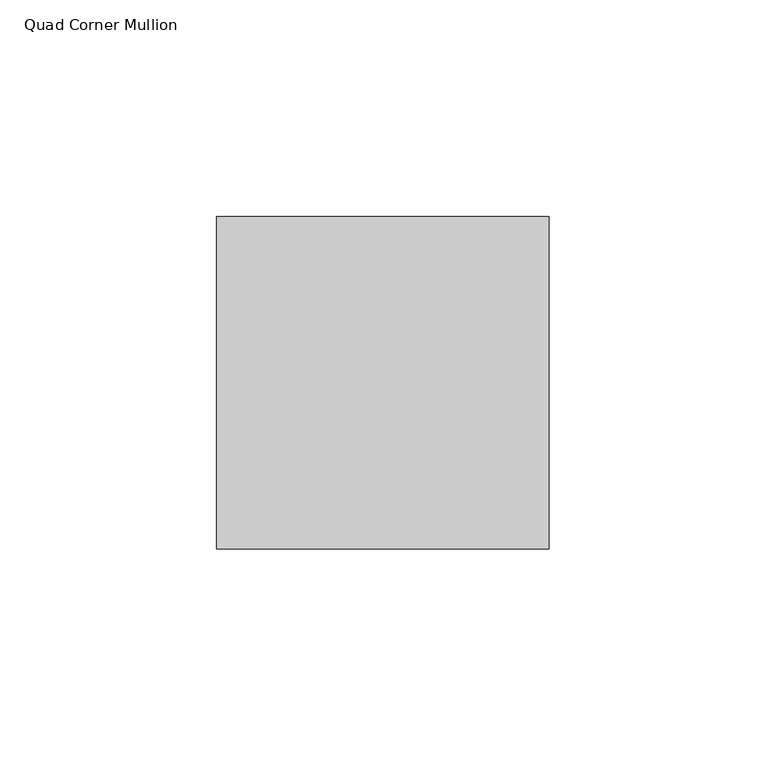
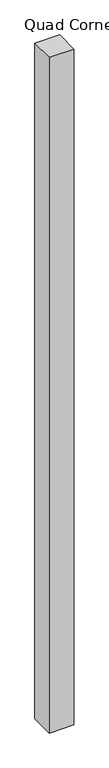
"""IFC4 building model written with IfcOpenShell, lengths in millimetres: member geometry, Quad Corner Mullion."""

from ifc_helpers import new_model, si_unit, frame, origin, place, context, project, spatial, polyline, outline, extrude, source, transform, mapped, element, save


def quad_corner_mullion_73333747(model_context):
    return source(origin(), model_context, "Body", "SweptSolid", [
        extrude(outline(polyline([(38.1496094, -38.5464844), (-38.5464844, -38.5464844), (-38.5464844, 38.1496094), (38.1496094, 38.1496094), (38.1496094, -38.5464844)])), frame((0.0, 0.0, -2212.5077323), z_axis=(0.0, 0.0, 1.0), x_axis=(1.0, 0.0, 0.0)), (0.0, 0.0, 1.0), 2212.5077323),
    ])


if __name__ == "__main__":
    model = new_model("IFC4")
    model_context = context("Model", 3, world=origin())
    ifc_project = project(units=[si_unit("LENGTHUNIT", "METRE", prefix="MILLI")], contexts=[model_context])
    site = spatial("IfcSite", under=ifc_project)
    building = spatial("IfcBuilding", under=site)
    placement = place(None, origin())
    quad_corner_mullion_shape = quad_corner_mullion_73333747(model_context)
    element("IfcMember", 1, ObjectType="Quad Corner Mullion", at=placement, inside=building, context=model_context, shape_type="MappedRepresentation", body=[
        mapped(quad_corner_mullion_shape, transform((0.0, 0.0, 0.0), x_axis=(1.0, 0.0, 0.0), y_axis=(0.0, 1.0, 0.0), z_axis=(0.0, 0.0, 1.0))),
    ])
    save(model, "model.ifc")
